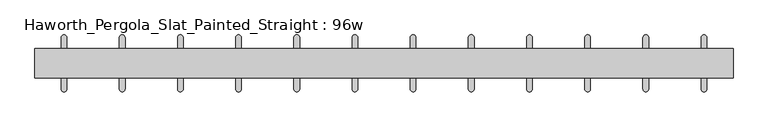
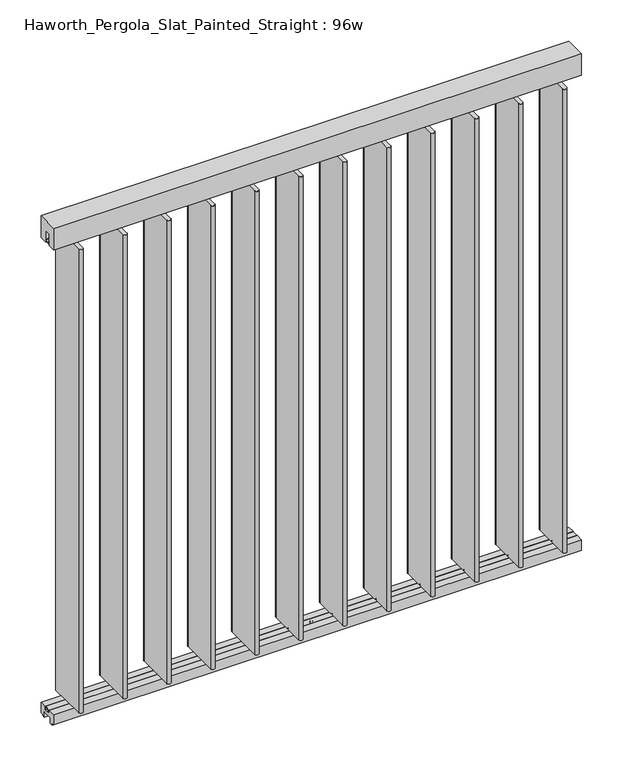
"""IFC4 building model written with IfcOpenShell, lengths in millimetres: furniture geometry, Haworth_Pergola_Slat_Painted_Straight : 96w."""

from ifc_helpers import new_model, si_unit, point, frame, frame_2d, origin, place, context, project, spatial, polyline, circle_curve, trimmed, segment, composite_curve, outline, extrude, source, transform, mapped, element, save


def haworth_pergola_slat_painted_straight_96w_b20d2665(model_context):
    return source(origin(), model_context, "Body", "SweptSolid", [
        extrude(outline(composite_curve([segment(trimmed(circle_curve(frame_2d((1155.6999978, 0.0)), 6.0), [point((1151.4573571, 4.2426407))], [point((1159.9426384, -4.2426407))], False, "CARTESIAN"), True, "CONTINUOUS"), segment(trimmed(circle_curve(frame_2d((1155.6999978, 0.0)), 6.0), [point((1159.9426384, -4.2426407))], [point((1151.4573571, 4.2426407))], False, "CARTESIAN"), True, "CONTINUOUS")], self_intersect=False)), frame((0.0, 0.0, 2329.3585937), z_axis=(0.0, 0.0, 1.0), x_axis=(1.0, 0.0, 0.0)), (0.0, 0.0, 1.0), 4.9609375),
        extrude(outline(composite_curve([segment(trimmed(circle_curve(frame_2d((1155.6999978, 0.0)), 6.0), [point((1151.4573571, 4.2426407))], [point((1159.9426384, -4.2426407))], False, "CARTESIAN"), True, "CONTINUOUS"), segment(trimmed(circle_curve(frame_2d((1155.6999978, 0.0)), 6.0), [point((1159.9426384, -4.2426407))], [point((1151.4573571, 4.2426407))], False, "CARTESIAN"), True, "CONTINUOUS")], self_intersect=False)), frame((0.0, 0.0, 61.0195312), z_axis=(0.0, 0.0, 1.0), x_axis=(1.0, 0.0, 0.0)), (0.0, 0.0, 1.0), 4.9609375),
        extrude(outline(composite_curve([segment(polyline([(1165.6999989, 89.9829434), (1165.6999997, -90.0036731)]), True, "CONTINUOUS"), segment(trimmed(circle_curve(frame_2d((1155.6999976, -90.0036731)), 10.0000021), [point((1165.6999997, -90.0036731))], [point((1145.6999955, -90.0036728))], False, "CARTESIAN"), True, "CONTINUOUS"), segment(polyline([(1145.6999955, -90.0036728), (1145.7000009, 89.9829437)]), True, "CONTINUOUS"), segment(trimmed(circle_curve(frame_2d((1155.6999999, 89.9829434)), 9.999999), [point((1145.7000009, 89.9829437))], [point((1165.6999989, 89.9829434))], False, "CARTESIAN"), True, "CONTINUOUS")], self_intersect=False)), frame((0.0, 0.0, 65.9804687), z_axis=(0.0, 0.0, 1.0), x_axis=(1.0, 0.0, 0.0)), (0.0, 0.0, 1.0), 2263.378125),
        extrude(outline(composite_curve([segment(trimmed(circle_curve(frame_2d((952.4999978, 0.0009422)), 6.0), [point((948.2573571, 4.2435829))], [point((956.7426384, -4.2416985))], False, "CARTESIAN"), True, "CONTINUOUS"), segment(trimmed(circle_curve(frame_2d((952.4999978, 0.0009422)), 6.0), [point((956.7426384, -4.2416985))], [point((948.2573571, 4.2435829))], False, "CARTESIAN"), True, "CONTINUOUS")], self_intersect=False)), frame((0.0, 0.0, 2329.3585937), z_axis=(0.0, 0.0, 1.0), x_axis=(1.0, 0.0, 0.0)), (0.0, 0.0, 1.0), 4.9609375),
        extrude(outline(composite_curve([segment(trimmed(circle_curve(frame_2d((952.4999978, 0.0009422)), 6.0), [point((948.2573571, 4.2435829))], [point((956.7426384, -4.2416985))], False, "CARTESIAN"), True, "CONTINUOUS"), segment(trimmed(circle_curve(frame_2d((952.4999978, 0.0009422)), 6.0), [point((956.7426384, -4.2416985))], [point((948.2573571, 4.2435829))], False, "CARTESIAN"), True, "CONTINUOUS")], self_intersect=False)), frame((0.0, 0.0, 61.0195312), z_axis=(0.0, 0.0, 1.0), x_axis=(1.0, 0.0, 0.0)), (0.0, 0.0, 1.0), 4.9609375),
        extrude(outline(composite_curve([segment(polyline([(962.4999989, 89.9838857), (962.4999997, -90.0027309)]), True, "CONTINUOUS"), segment(trimmed(circle_curve(frame_2d((952.4999976, -90.0027309)), 10.0000021), [point((962.4999997, -90.0027309))], [point((942.4999955, -90.0027306))], False, "CARTESIAN"), True, "CONTINUOUS"), segment(polyline([(942.4999955, -90.0027306), (942.5000009, 89.9838859)]), True, "CONTINUOUS"), segment(trimmed(circle_curve(frame_2d((952.4999999, 89.9838856)), 9.999999), [point((942.5000009, 89.9838859))], [point((962.4999989, 89.9838857))], False, "CARTESIAN"), True, "CONTINUOUS")], self_intersect=False)), frame((0.0, 0.0, 65.9804687), z_axis=(0.0, 0.0, 1.0), x_axis=(1.0, 0.0, 0.0)), (0.0, 0.0, 1.0), 2263.378125),
        extrude(outline(composite_curve([segment(trimmed(circle_curve(frame_2d((749.2999978, 0.0018845)), 6.0), [point((745.0573571, 4.2445251))], [point((753.5426384, -4.2407562))], False, "CARTESIAN"), True, "CONTINUOUS"), segment(trimmed(circle_curve(frame_2d((749.2999978, 0.0018845)), 6.0), [point((753.5426384, -4.2407562))], [point((745.0573571, 4.2445251))], False, "CARTESIAN"), True, "CONTINUOUS")], self_intersect=False)), frame((0.0, 0.0, 2329.3585937), z_axis=(0.0, 0.0, 1.0), x_axis=(1.0, 0.0, 0.0)), (0.0, 0.0, 1.0), 4.9609375),
        extrude(outline(composite_curve([segment(trimmed(circle_curve(frame_2d((749.2999978, 0.0018845)), 6.0), [point((745.0573571, 4.2445251))], [point((753.5426384, -4.2407562))], False, "CARTESIAN"), True, "CONTINUOUS"), segment(trimmed(circle_curve(frame_2d((749.2999978, 0.0018845)), 6.0), [point((753.5426384, -4.2407562))], [point((745.0573571, 4.2445251))], False, "CARTESIAN"), True, "CONTINUOUS")], self_intersect=False)), frame((0.0, 0.0, 61.0195312), z_axis=(0.0, 0.0, 1.0), x_axis=(1.0, 0.0, 0.0)), (0.0, 0.0, 1.0), 4.9609375),
        extrude(outline(composite_curve([segment(polyline([(759.2999989, 89.9848279), (759.2999997, -90.0017886)]), True, "CONTINUOUS"), segment(trimmed(circle_curve(frame_2d((749.2999976, -90.0017887)), 10.0000021), [point((759.2999997, -90.0017886))], [point((739.2999955, -90.0017884))], False, "CARTESIAN"), True, "CONTINUOUS"), segment(polyline([(739.2999955, -90.0017884), (739.3000009, 89.9848282)]), True, "CONTINUOUS"), segment(trimmed(circle_curve(frame_2d((749.2999999, 89.9848279)), 9.999999), [point((739.3000009, 89.9848282))], [point((759.2999989, 89.9848279))], False, "CARTESIAN"), True, "CONTINUOUS")], self_intersect=False)), frame((0.0, 0.0, 65.9804687), z_axis=(0.0, 0.0, 1.0), x_axis=(1.0, 0.0, 0.0)), (0.0, 0.0, 1.0), 2263.378125),
        extrude(outline(composite_curve([segment(trimmed(circle_curve(frame_2d((546.0999978, 0.0028267)), 6.0), [point((541.8573571, 4.2454674))], [point((550.3426384, -4.239814))], False, "CARTESIAN"), True, "CONTINUOUS"), segment(trimmed(circle_curve(frame_2d((546.0999978, 0.0028267)), 6.0), [point((550.3426384, -4.239814))], [point((541.8573571, 4.2454674))], False, "CARTESIAN"), True, "CONTINUOUS")], self_intersect=False)), frame((0.0, 0.0, 2329.3585937), z_axis=(0.0, 0.0, 1.0), x_axis=(1.0, 0.0, 0.0)), (0.0, 0.0, 1.0), 4.9609375),
        extrude(outline(composite_curve([segment(trimmed(circle_curve(frame_2d((546.0999978, 0.0028267)), 6.0), [point((541.8573571, 4.2454674))], [point((550.3426384, -4.239814))], False, "CARTESIAN"), True, "CONTINUOUS"), segment(trimmed(circle_curve(frame_2d((546.0999978, 0.0028267)), 6.0), [point((550.3426384, -4.239814))], [point((541.8573571, 4.2454674))], False, "CARTESIAN"), True, "CONTINUOUS")], self_intersect=False)), frame((0.0, 0.0, 61.0195312), z_axis=(0.0, 0.0, 1.0), x_axis=(1.0, 0.0, 0.0)), (0.0, 0.0, 1.0), 4.9609375),
        extrude(outline(composite_curve([segment(polyline([(556.0999989, 89.9857701), (556.0999997, -90.0008464)]), True, "CONTINUOUS"), segment(trimmed(circle_curve(frame_2d((546.0999976, -90.0008464)), 10.0000021), [point((556.0999997, -90.0008464))], [point((536.0999955, -90.0008461))], False, "CARTESIAN"), True, "CONTINUOUS"), segment(polyline([(536.0999955, -90.0008461), (536.1000009, 89.9857704)]), True, "CONTINUOUS"), segment(trimmed(circle_curve(frame_2d((546.0999999, 89.9857701)), 9.999999), [point((536.1000009, 89.9857704))], [point((556.0999989, 89.9857701))], False, "CARTESIAN"), True, "CONTINUOUS")], self_intersect=False)), frame((0.0, 0.0, 65.9804687), z_axis=(0.0, 0.0, 1.0), x_axis=(1.0, 0.0, 0.0)), (0.0, 0.0, 1.0), 2263.378125),
        extrude(outline(composite_curve([segment(trimmed(circle_curve(frame_2d((342.8999978, 0.0037689)), 6.0), [point((338.6573571, 4.2464096))], [point((347.1426384, -4.2388718))], False, "CARTESIAN"), True, "CONTINUOUS"), segment(trimmed(circle_curve(frame_2d((342.8999978, 0.0037689)), 6.0), [point((347.1426384, -4.2388718))], [point((338.6573571, 4.2464096))], False, "CARTESIAN"), True, "CONTINUOUS")], self_intersect=False)), frame((0.0, 0.0, 2329.3585937), z_axis=(0.0, 0.0, 1.0), x_axis=(1.0, 0.0, 0.0)), (0.0, 0.0, 1.0), 4.9609375),
        extrude(outline(composite_curve([segment(trimmed(circle_curve(frame_2d((342.8999978, 0.0037689)), 6.0), [point((338.6573571, 4.2464096))], [point((347.1426384, -4.2388718))], False, "CARTESIAN"), True, "CONTINUOUS"), segment(trimmed(circle_curve(frame_2d((342.8999978, 0.0037689)), 6.0), [point((347.1426384, -4.2388718))], [point((338.6573571, 4.2464096))], False, "CARTESIAN"), True, "CONTINUOUS")], self_intersect=False)), frame((0.0, 0.0, 61.0195312), z_axis=(0.0, 0.0, 1.0), x_axis=(1.0, 0.0, 0.0)), (0.0, 0.0, 1.0), 4.9609375),
        extrude(outline(composite_curve([segment(polyline([(352.8999989, 89.9867124), (352.8999997, -89.9999042)]), True, "CONTINUOUS"), segment(trimmed(circle_curve(frame_2d((342.8999976, -89.9999042)), 10.0000021), [point((352.8999997, -89.9999042))], [point((332.8999955, -89.9999039))], False, "CARTESIAN"), True, "CONTINUOUS"), segment(polyline([(332.8999955, -89.9999039), (332.9000009, 89.9867126)]), True, "CONTINUOUS"), segment(trimmed(circle_curve(frame_2d((342.8999999, 89.9867123)), 9.999999), [point((332.9000009, 89.9867126))], [point((352.8999989, 89.9867124))], False, "CARTESIAN"), True, "CONTINUOUS")], self_intersect=False)), frame((0.0, 0.0, 65.9804687), z_axis=(0.0, 0.0, 1.0), x_axis=(1.0, 0.0, 0.0)), (0.0, 0.0, 1.0), 2263.378125),
        extrude(outline(composite_curve([segment(trimmed(circle_curve(frame_2d((139.6999978, 0.0047112)), 6.0), [point((135.4573571, 4.2473518))], [point((143.9426384, -4.2379295))], False, "CARTESIAN"), True, "CONTINUOUS"), segment(trimmed(circle_curve(frame_2d((139.6999978, 0.0047112)), 6.0), [point((143.9426384, -4.2379295))], [point((135.4573571, 4.2473518))], False, "CARTESIAN"), True, "CONTINUOUS")], self_intersect=False)), frame((0.0, 0.0, 2329.3585937), z_axis=(0.0, 0.0, 1.0), x_axis=(1.0, 0.0, 0.0)), (0.0, 0.0, 1.0), 4.9609375),
        extrude(outline(composite_curve([segment(trimmed(circle_curve(frame_2d((139.6999978, 0.0047112)), 6.0), [point((135.4573571, 4.2473518))], [point((143.9426384, -4.2379295))], False, "CARTESIAN"), True, "CONTINUOUS"), segment(trimmed(circle_curve(frame_2d((139.6999978, 0.0047112)), 6.0), [point((143.9426384, -4.2379295))], [point((135.4573571, 4.2473518))], False, "CARTESIAN"), True, "CONTINUOUS")], self_intersect=False)), frame((0.0, 0.0, 61.0195312), z_axis=(0.0, 0.0, 1.0), x_axis=(1.0, 0.0, 0.0)), (0.0, 0.0, 1.0), 4.9609375),
        extrude(outline(composite_curve([segment(polyline([(149.6999989, 89.9876546), (149.6999997, -89.9989619)]), True, "CONTINUOUS"), segment(trimmed(circle_curve(frame_2d((139.6999976, -89.998962)), 10.0000021), [point((149.6999997, -89.9989619))], [point((129.6999955, -89.9989617))], False, "CARTESIAN"), True, "CONTINUOUS"), segment(polyline([(129.6999955, -89.9989617), (129.7000009, 89.9876549)]), True, "CONTINUOUS"), segment(trimmed(circle_curve(frame_2d((139.6999999, 89.9876546)), 9.999999), [point((129.7000009, 89.9876549))], [point((149.6999989, 89.9876546))], False, "CARTESIAN"), True, "CONTINUOUS")], self_intersect=False)), frame((0.0, 0.0, 65.9804687), z_axis=(0.0, 0.0, 1.0), x_axis=(1.0, 0.0, 0.0)), (0.0, 0.0, 1.0), 2263.378125),
        extrude(outline(composite_curve([segment(trimmed(circle_curve(frame_2d((-63.5000022, 0.0056534)), 6.0), [point((-67.7426429, 4.2482941))], [point((-59.2573616, -4.2369873))], False, "CARTESIAN"), True, "CONTINUOUS"), segment(trimmed(circle_curve(frame_2d((-63.5000022, 0.0056534)), 6.0), [point((-59.2573616, -4.2369873))], [point((-67.7426429, 4.2482941))], False, "CARTESIAN"), True, "CONTINUOUS")], self_intersect=False)), frame((0.0, 0.0, 2329.3585937), z_axis=(0.0, 0.0, 1.0), x_axis=(1.0, 0.0, 0.0)), (0.0, 0.0, 1.0), 4.9609375),
        extrude(outline(composite_curve([segment(trimmed(circle_curve(frame_2d((-63.5000022, 0.0056534)), 6.0), [point((-67.7426429, 4.2482941))], [point((-59.2573616, -4.2369873))], False, "CARTESIAN"), True, "CONTINUOUS"), segment(trimmed(circle_curve(frame_2d((-63.5000022, 0.0056534)), 6.0), [point((-59.2573616, -4.2369873))], [point((-67.7426429, 4.2482941))], False, "CARTESIAN"), True, "CONTINUOUS")], self_intersect=False)), frame((0.0, 0.0, 61.0195312), z_axis=(0.0, 0.0, 1.0), x_axis=(1.0, 0.0, 0.0)), (0.0, 0.0, 1.0), 4.9609375),
        extrude(outline(composite_curve([segment(polyline([(-53.5000011, 89.9885968), (-53.5000003, -89.9980197)]), True, "CONTINUOUS"), segment(trimmed(circle_curve(frame_2d((-63.5000024, -89.9980197)), 10.0000021), [point((-53.5000003, -89.9980197))], [point((-73.5000045, -89.9980194))], False, "CARTESIAN"), True, "CONTINUOUS"), segment(polyline([(-73.5000045, -89.9980194), (-73.4999991, 89.9885971)]), True, "CONTINUOUS"), segment(trimmed(circle_curve(frame_2d((-63.5000001, 89.9885968)), 9.999999), [point((-73.4999991, 89.9885971))], [point((-53.5000011, 89.9885968))], False, "CARTESIAN"), True, "CONTINUOUS")], self_intersect=False)), frame((0.0, 0.0, 65.9804687), z_axis=(0.0, 0.0, 1.0), x_axis=(1.0, 0.0, 0.0)), (0.0, 0.0, 1.0), 2263.378125),
        extrude(outline(composite_curve([segment(trimmed(circle_curve(frame_2d((-266.7000022, 0.0065956)), 6.0), [point((-270.9426429, 4.2492363))], [point((-262.4573616, -4.2360451))], False, "CARTESIAN"), True, "CONTINUOUS"), segment(trimmed(circle_curve(frame_2d((-266.7000022, 0.0065956)), 6.0), [point((-262.4573616, -4.2360451))], [point((-270.9426429, 4.2492363))], False, "CARTESIAN"), True, "CONTINUOUS")], self_intersect=False)), frame((0.0, 0.0, 2329.3585937), z_axis=(0.0, 0.0, 1.0), x_axis=(1.0, 0.0, 0.0)), (0.0, 0.0, 1.0), 4.9609375),
        extrude(outline(composite_curve([segment(trimmed(circle_curve(frame_2d((-266.7000022, 0.0065956)), 6.0), [point((-270.9426429, 4.2492363))], [point((-262.4573616, -4.2360451))], False, "CARTESIAN"), True, "CONTINUOUS"), segment(trimmed(circle_curve(frame_2d((-266.7000022, 0.0065956)), 6.0), [point((-262.4573616, -4.2360451))], [point((-270.9426429, 4.2492363))], False, "CARTESIAN"), True, "CONTINUOUS")], self_intersect=False)), frame((0.0, 0.0, 61.0195312), z_axis=(0.0, 0.0, 1.0), x_axis=(1.0, 0.0, 0.0)), (0.0, 0.0, 1.0), 4.9609375),
        extrude(outline(composite_curve([segment(polyline([(-256.7000011, 89.9895391), (-256.7000003, -89.9970775)]), True, "CONTINUOUS"), segment(trimmed(circle_curve(frame_2d((-266.7000024, -89.9970775)), 10.0000021), [point((-256.7000003, -89.9970775))], [point((-276.7000045, -89.9970772))], False, "CARTESIAN"), True, "CONTINUOUS"), segment(polyline([(-276.7000045, -89.9970772), (-276.6999991, 89.9895393)]), True, "CONTINUOUS"), segment(trimmed(circle_curve(frame_2d((-266.7000001, 89.989539)), 9.999999), [point((-276.6999991, 89.9895393))], [point((-256.7000011, 89.9895391))], False, "CARTESIAN"), True, "CONTINUOUS")], self_intersect=False)), frame((0.0, 0.0, 65.9804687), z_axis=(0.0, 0.0, 1.0), x_axis=(1.0, 0.0, 0.0)), (0.0, 0.0, 1.0), 2263.378125),
        extrude(outline(composite_curve([segment(trimmed(circle_curve(frame_2d((-469.9000022, 0.0075379)), 6.0), [point((-474.1426429, 4.2501785))], [point((-465.6573616, -4.2351028))], False, "CARTESIAN"), True, "CONTINUOUS"), segment(trimmed(circle_curve(frame_2d((-469.9000022, 0.0075379)), 6.0), [point((-465.6573616, -4.2351028))], [point((-474.1426429, 4.2501785))], False, "CARTESIAN"), True, "CONTINUOUS")], self_intersect=False)), frame((0.0, 0.0, 2329.3585937), z_axis=(0.0, 0.0, 1.0), x_axis=(1.0, 0.0, 0.0)), (0.0, 0.0, 1.0), 4.9609375),
        extrude(outline(composite_curve([segment(trimmed(circle_curve(frame_2d((-469.9000022, 0.0075379)), 6.0), [point((-474.1426429, 4.2501785))], [point((-465.6573616, -4.2351028))], False, "CARTESIAN"), True, "CONTINUOUS"), segment(trimmed(circle_curve(frame_2d((-469.9000022, 0.0075379)), 6.0), [point((-465.6573616, -4.2351028))], [point((-474.1426429, 4.2501785))], False, "CARTESIAN"), True, "CONTINUOUS")], self_intersect=False)), frame((0.0, 0.0, 61.0195312), z_axis=(0.0, 0.0, 1.0), x_axis=(1.0, 0.0, 0.0)), (0.0, 0.0, 1.0), 4.9609375),
        extrude(outline(composite_curve([segment(polyline([(-459.9000011, 89.9904813), (-459.9000003, -89.9961352)]), True, "CONTINUOUS"), segment(trimmed(circle_curve(frame_2d((-469.9000024, -89.9961353)), 10.0000021), [point((-459.9000003, -89.9961352))], [point((-479.9000045, -89.996135))], False, "CARTESIAN"), True, "CONTINUOUS"), segment(polyline([(-479.9000045, -89.996135), (-479.8999991, 89.9904816)]), True, "CONTINUOUS"), segment(trimmed(circle_curve(frame_2d((-469.9000001, 89.9904813)), 9.999999), [point((-479.8999991, 89.9904816))], [point((-459.9000011, 89.9904813))], False, "CARTESIAN"), True, "CONTINUOUS")], self_intersect=False)), frame((0.0, 0.0, 65.9804687), z_axis=(0.0, 0.0, 1.0), x_axis=(1.0, 0.0, 0.0)), (0.0, 0.0, 1.0), 2263.378125),
        extrude(outline(composite_curve([segment(trimmed(circle_curve(frame_2d((-673.1000022, 0.0084801)), 6.0), [point((-677.3426429, 4.2511208))], [point((-668.8573616, -4.2341606))], False, "CARTESIAN"), True, "CONTINUOUS"), segment(trimmed(circle_curve(frame_2d((-673.1000022, 0.0084801)), 6.0), [point((-668.8573616, -4.2341606))], [point((-677.3426429, 4.2511208))], False, "CARTESIAN"), True, "CONTINUOUS")], self_intersect=False)), frame((0.0, 0.0, 2329.3585937), z_axis=(0.0, 0.0, 1.0), x_axis=(1.0, 0.0, 0.0)), (0.0, 0.0, 1.0), 4.9609375),
        extrude(outline(composite_curve([segment(trimmed(circle_curve(frame_2d((-673.1000022, 0.0084801)), 6.0), [point((-677.3426429, 4.2511208))], [point((-668.8573616, -4.2341606))], False, "CARTESIAN"), True, "CONTINUOUS"), segment(trimmed(circle_curve(frame_2d((-673.1000022, 0.0084801)), 6.0), [point((-668.8573616, -4.2341606))], [point((-677.3426429, 4.2511208))], False, "CARTESIAN"), True, "CONTINUOUS")], self_intersect=False)), frame((0.0, 0.0, 61.0195312), z_axis=(0.0, 0.0, 1.0), x_axis=(1.0, 0.0, 0.0)), (0.0, 0.0, 1.0), 4.9609375),
        extrude(outline(composite_curve([segment(polyline([(-663.1000011, 89.9914235), (-663.1000003, -89.995193)]), True, "CONTINUOUS"), segment(trimmed(circle_curve(frame_2d((-673.1000024, -89.995193)), 10.0000021), [point((-663.1000003, -89.995193))], [point((-683.1000045, -89.9951927))], False, "CARTESIAN"), True, "CONTINUOUS"), segment(polyline([(-683.1000045, -89.9951927), (-683.0999991, 89.9914238)]), True, "CONTINUOUS"), segment(trimmed(circle_curve(frame_2d((-673.1000001, 89.9914235)), 9.999999), [point((-683.0999991, 89.9914238))], [point((-663.1000011, 89.9914235))], False, "CARTESIAN"), True, "CONTINUOUS")], self_intersect=False)), frame((0.0, 0.0, 65.9804687), z_axis=(0.0, 0.0, 1.0), x_axis=(1.0, 0.0, 0.0)), (0.0, 0.0, 1.0), 2263.378125),
        extrude(outline(composite_curve([segment(trimmed(circle_curve(frame_2d((-876.3000022, 0.0094223)), 6.0), [point((-880.5426429, 4.252063))], [point((-872.0573616, -4.2332184))], False, "CARTESIAN"), True, "CONTINUOUS"), segment(trimmed(circle_curve(frame_2d((-876.3000022, 0.0094223)), 6.0), [point((-872.0573616, -4.2332184))], [point((-880.5426429, 4.252063))], False, "CARTESIAN"), True, "CONTINUOUS")], self_intersect=False)), frame((0.0, 0.0, 2329.3585937), z_axis=(0.0, 0.0, 1.0), x_axis=(1.0, 0.0, 0.0)), (0.0, 0.0, 1.0), 4.9609375),
        extrude(outline(composite_curve([segment(trimmed(circle_curve(frame_2d((-876.3000022, 0.0094223)), 6.0), [point((-880.5426429, 4.252063))], [point((-872.0573616, -4.2332184))], False, "CARTESIAN"), True, "CONTINUOUS"), segment(trimmed(circle_curve(frame_2d((-876.3000022, 0.0094223)), 6.0), [point((-872.0573616, -4.2332184))], [point((-880.5426429, 4.252063))], False, "CARTESIAN"), True, "CONTINUOUS")], self_intersect=False)), frame((0.0, 0.0, 61.0195312), z_axis=(0.0, 0.0, 1.0), x_axis=(1.0, 0.0, 0.0)), (0.0, 0.0, 1.0), 4.9609375),
        extrude(outline(composite_curve([segment(polyline([(-866.3000011, 89.9923658), (-866.3000003, -89.9942508)]), True, "CONTINUOUS"), segment(trimmed(circle_curve(frame_2d((-876.3000024, -89.9942508)), 10.0000021), [point((-866.3000003, -89.9942508))], [point((-886.3000045, -89.9942505))], False, "CARTESIAN"), True, "CONTINUOUS"), segment(polyline([(-886.3000045, -89.9942505), (-886.2999991, 89.992366)]), True, "CONTINUOUS"), segment(trimmed(circle_curve(frame_2d((-876.3000001, 89.9923657)), 9.999999), [point((-886.2999991, 89.992366))], [point((-866.3000011, 89.9923658))], False, "CARTESIAN"), True, "CONTINUOUS")], self_intersect=False)), frame((0.0, 0.0, 65.9804687), z_axis=(0.0, 0.0, 1.0), x_axis=(1.0, 0.0, 0.0)), (0.0, 0.0, 1.0), 2263.378125),
        extrude(outline(composite_curve([segment(trimmed(circle_curve(frame_2d((-1079.5000022, 0.0103646)), 6.0), [point((-1083.7426429, 4.2530052))], [point((-1075.2573616, -4.2322761))], False, "CARTESIAN"), True, "CONTINUOUS"), segment(trimmed(circle_curve(frame_2d((-1079.5000022, 0.0103646)), 6.0), [point((-1075.2573616, -4.2322761))], [point((-1083.7426429, 4.2530052))], False, "CARTESIAN"), True, "CONTINUOUS")], self_intersect=False)), frame((0.0, 0.0, 2329.3585937), z_axis=(0.0, 0.0, 1.0), x_axis=(1.0, 0.0, 0.0)), (0.0, 0.0, 1.0), 4.9609375),
        extrude(outline(composite_curve([segment(trimmed(circle_curve(frame_2d((-1079.5000022, 0.0103646)), 6.0), [point((-1083.7426429, 4.2530052))], [point((-1075.2573616, -4.2322761))], False, "CARTESIAN"), True, "CONTINUOUS"), segment(trimmed(circle_curve(frame_2d((-1079.5000022, 0.0103646)), 6.0), [point((-1075.2573616, -4.2322761))], [point((-1083.7426429, 4.2530052))], False, "CARTESIAN"), True, "CONTINUOUS")], self_intersect=False)), frame((0.0, 0.0, 61.0195312), z_axis=(0.0, 0.0, 1.0), x_axis=(1.0, 0.0, 0.0)), (0.0, 0.0, 1.0), 4.9609375),
        extrude(outline(composite_curve([segment(polyline([(-1069.5000011, 89.993308), (-1069.5000003, -89.9933085)]), True, "CONTINUOUS"), segment(trimmed(circle_curve(frame_2d((-1079.5000024, -89.9933086)), 10.0000021), [point((-1069.5000003, -89.9933085))], [point((-1089.5000045, -89.9933083))], False, "CARTESIAN"), True, "CONTINUOUS"), segment(polyline([(-1089.5000045, -89.9933083), (-1089.4999991, 89.9933083)]), True, "CONTINUOUS"), segment(trimmed(circle_curve(frame_2d((-1079.5000001, 89.993308)), 9.999999), [point((-1089.4999991, 89.9933083))], [point((-1069.5000011, 89.993308))], False, "CARTESIAN"), True, "CONTINUOUS")], self_intersect=False)), frame((0.0, 0.0, 65.9804687), z_axis=(0.0, 0.0, 1.0), x_axis=(1.0, 0.0, 0.0)), (0.0, 0.0, 1.0), 2263.378125),
        extrude(outline(polyline([(-50.8, 2438.4), (50.8, 2438.4), (50.8, 2331.8390625), (15.2182948, 2331.8390625), (15.2182948, 2388.7001663), (-15.2182948, 2388.7001663), (-15.2182948, 2331.8390625), (-50.8, 2331.8390625), (-50.8, 2438.4)])), frame((-1181.1, 0.0, 0.0), z_axis=(1.0, 0.0, 0.0), x_axis=(0.0, 1.0, 0.0)), (0.0, 0.0, 1.0), 2438.4),
        extrude(outline(polyline([(-7.8249998, 61.7499993), (-15.2249995, 61.7499993), (-15.2249995, 63.5), (15.2249996, 63.5), (15.2249996, 61.7499999), (13.3999997, 61.7499999), (13.3999997, 50.2499995), (11.8250005, 50.2499995), (11.8250005, 61.7499993), (-4.8250001, 61.7499993), (-4.8250001, 50.0999996), (-7.8249998, 50.0999996), (-7.8249998, 61.7499993)])), frame((-1181.1, 0.0, 0.0), z_axis=(1.0, 0.0, 0.0), x_axis=(0.0, 1.0, 0.0)), (0.0, 0.0, 1.0), 2438.4),
        extrude(outline(polyline([(-16.2000002, 63.5), (-16.5085717, 61.7499999), (-13.3999996, 61.7499999), (-13.3999996, 58.8973461), (-15.4000002, 59.2499999), (-15.4000002, 48.3500004), (15.4000003, 48.3500004), (15.4000003, 59.2499999), (13.3999997, 58.8973461), (13.3999997, 61.7499999), (16.5085718, 61.7499999), (16.2000003, 63.5), (50.0000004, 63.5), (50.0000004, 12.6999985), (40.9499987, 12.6999985), (38.9499981, 10.6999979), (28.9499999, 10.6999979), (28.9499999, 7.6999994), (38.9499981, 7.6999994), (38.9499981, 5.6999988), (23.7499993, 5.6999988), (23.7499993, 31.4500009), (-23.7499992, 31.4500009), (-23.7499992, 5.6999988), (-38.949998, 5.6999988), (-38.949998, 7.6999994), (-28.9499998, 7.6999994), (-28.9499998, 10.6999979), (-38.949998, 10.6999979), (-40.9499986, 12.6999985), (-50.0000003, 12.6999985), (-50.0000003, 63.5), (-16.2000002, 63.5)])), frame((-1181.1, 0.0, 0.0), z_axis=(1.0, 0.0, 0.0), x_axis=(0.0, 1.0, 0.0)), (0.0, 0.0, 1.0), 2438.4),
        extrude(outline(polyline([(7.8249999, 2338.5500385), (15.2249996, 2338.5500385), (15.2249996, 2336.8), (-15.2249995, 2336.8), (-15.2249995, 2338.5500385), (-13.3999996, 2338.5500385), (-13.3999996, 2350.0500633), (-11.8249992, 2350.0500633), (-11.8250004, 2338.5500385), (4.8250002, 2338.5500385), (4.8250002, 2350.2000542), (7.8250005, 2350.2000542), (7.8249999, 2338.5500385)])), frame((-1181.1, 0.0, 0.0), z_axis=(1.0, 0.0, 0.0), x_axis=(0.0, 1.0, 0.0)), (0.0, 0.0, 1.0), 2438.4),
        extrude(outline(composite_curve([segment(trimmed(circle_curve(frame_2d((38.1000001, 1e-07)), 6.0), [point((32.1000001, 1e-07))], [point((44.1000001, 1e-07))], False, "CARTESIAN"), True, "CONTINUOUS"), segment(trimmed(circle_curve(frame_2d((38.1000001, 1e-07)), 6.0), [point((44.1000001, 1e-07))], [point((32.1000001, 1e-07))], False, "CARTESIAN"), True, "CONTINUOUS")], self_intersect=False)), frame((0.0, 0.0, 2319.1390625), z_axis=(0.0, 0.0, 1.0), x_axis=(1.0, 0.0, 0.0)), (0.0, 0.0, 1.0), 17.6609375),
        extrude(outline(composite_curve([segment(trimmed(circle_curve(frame_2d((38.1000001, 1e-07)), 6.0), [point((32.1000001, 1e-07))], [point((44.1000001, 1e-07))], False, "CARTESIAN"), True, "CONTINUOUS"), segment(trimmed(circle_curve(frame_2d((38.1000001, 1e-07)), 6.0), [point((44.1000001, 1e-07))], [point((32.1000001, 1e-07))], False, "CARTESIAN"), True, "CONTINUOUS")], self_intersect=False)), frame((0.0, 0.0, 55.7609375), z_axis=(0.0, 0.0, 1.0), x_axis=(1.0, 0.0, 0.0)), (0.0, 0.0, 1.0), 7.7390625),
    ])


if __name__ == "__main__":
    model = new_model("IFC4")
    model_context = context("Model", 3, world=origin())
    ifc_project = project(units=[si_unit("LENGTHUNIT", "METRE", prefix="MILLI")], contexts=[model_context])
    site = spatial("IfcSite", under=ifc_project)
    building = spatial("IfcBuilding", under=site)
    placement = place(None, origin())
    haworth_pergola_slat_painted_straight_96w_shape = haworth_pergola_slat_painted_straight_96w_b20d2665(model_context)
    element("IfcFurniture", 1, ObjectType="Haworth_Pergola_Slat_Painted_Straight : 96w", at=placement, inside=building, context=model_context, shape_type="MappedRepresentation", body=[
        mapped(haworth_pergola_slat_painted_straight_96w_shape, transform((0.0, 0.0, 0.0), x_axis=(1.0, 0.0, 0.0), y_axis=(0.0, 1.0, 0.0), z_axis=(0.0, 0.0, 1.0))),
    ])
    save(model, "model.ifc")
